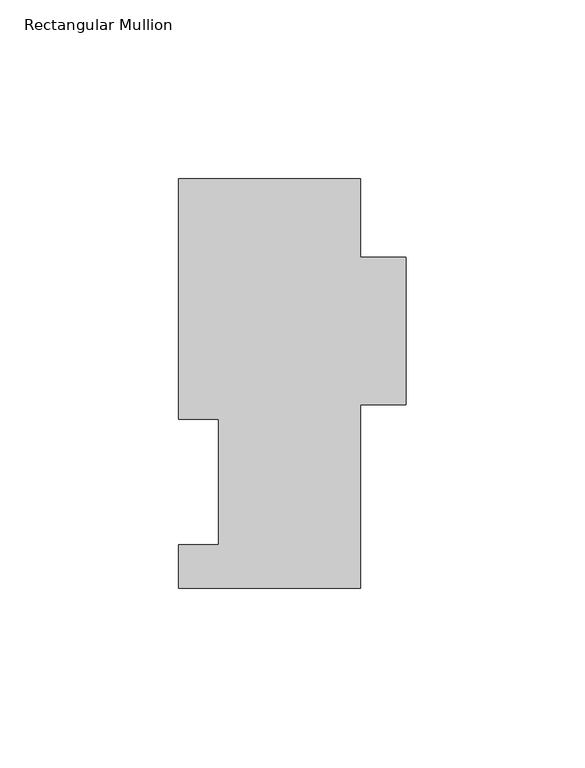
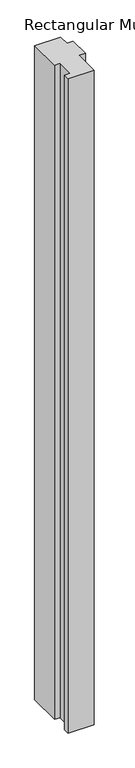
"""IFC4 building model written with IfcOpenShell, lengths in millimetres: member geometry, Rectangular Mullion."""

from ifc_helpers import new_model, si_unit, frame, origin, place, context, project, spatial, polyline, outline, extrude, source, transform, mapped, element, save


def rectangular_mullion_c82cb319(model_context):
    return source(origin(), model_context, "Body", "SweptSolid", [
        extrude(outline(polyline([(25.4, 114.252375), (25.4, 92.433775), (38.1, 92.433775), (38.1, 51.158775), (25.4, 51.158775), (25.4, -0.047625), (-25.4, -0.047625), (-25.4, 12.144375), (-14.2875, 12.144375), (-14.2875, 47.069375), (-25.4, 47.069375), (-25.4, 114.252375), (25.4, 114.252375)])), frame((0.0, 0.0, -1365.25), z_axis=(0.0, 0.0, 1.0), x_axis=(1.0, 0.0, 0.0)), (0.0, 0.0, 1.0), 1365.25),
    ])


if __name__ == "__main__":
    model = new_model("IFC4")
    model_context = context("Model", 3, world=origin())
    ifc_project = project(units=[si_unit("LENGTHUNIT", "METRE", prefix="MILLI")], contexts=[model_context])
    site = spatial("IfcSite", under=ifc_project)
    building = spatial("IfcBuilding", under=site)
    placement = place(None, origin())
    rectangular_mullion_shape = rectangular_mullion_c82cb319(model_context)
    element("IfcMember", 1, ObjectType="Rectangular Mullion", at=placement, inside=building, context=model_context, shape_type="MappedRepresentation", body=[
        mapped(rectangular_mullion_shape, transform((0.0, 0.0, 0.0), x_axis=(1.0, 0.0, 0.0), y_axis=(0.0, 1.0, 0.0), z_axis=(0.0, 0.0, 1.0))),
    ])
    save(model, "model.ifc")
